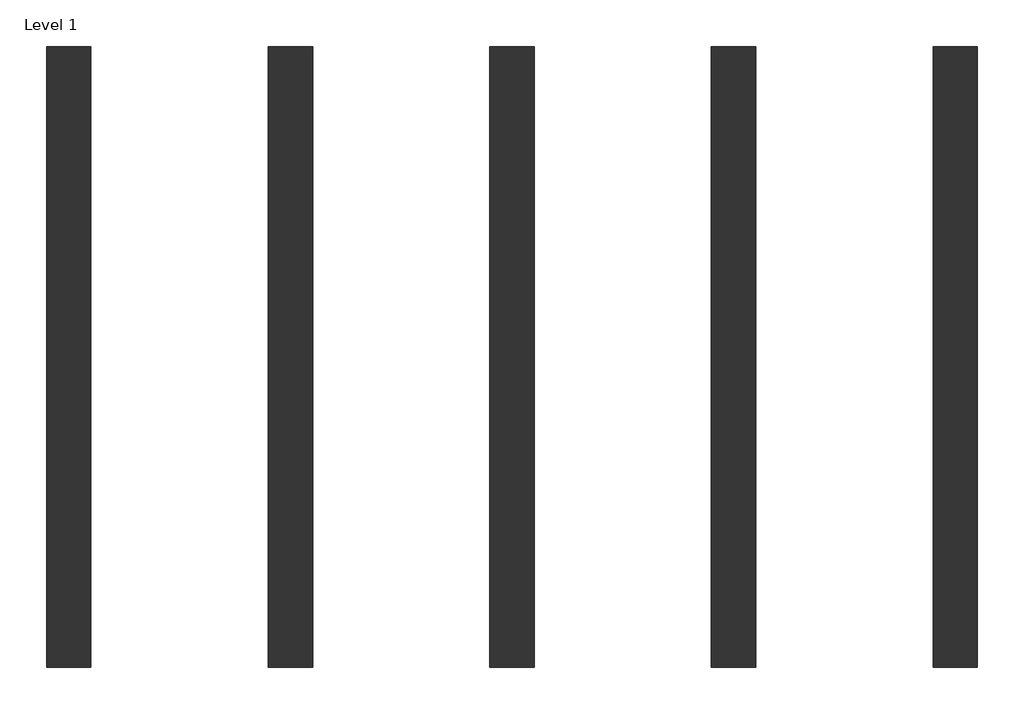
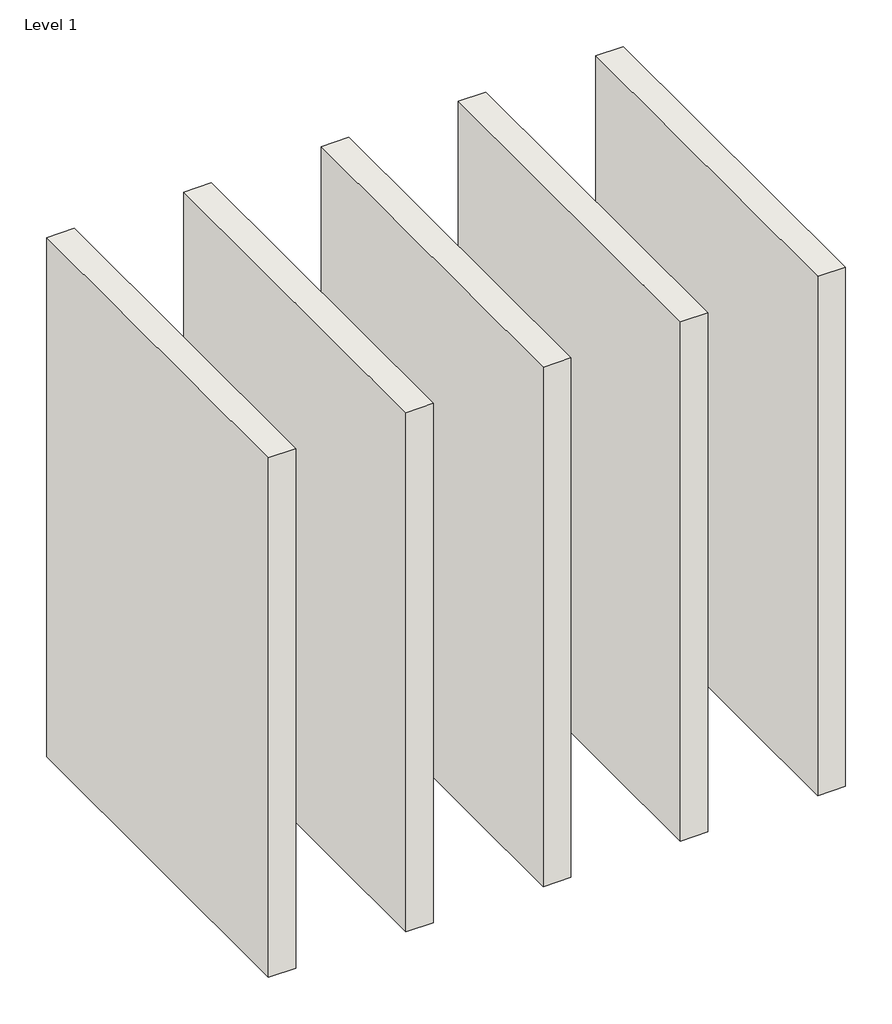
# One storey: 5 walls.
"""IFC4 building model written with IfcOpenShell, lengths in millimetres."""

from ifc_helpers import new_model, si_unit, origin, origin_with_axes, place, context, project, spatial, polyline, outline, extrude, element, save

model = new_model("IFC4")

# Units and contexts
model_context = context("Model", 3, world=origin())
ifc_project = project(units=[si_unit("LENGTHUNIT", "METRE", prefix="MILLI")], contexts=[model_context])

# Site, building, storey
site = spatial("IfcSite", under=ifc_project)
building = spatial("IfcBuilding", under=site)
storey = spatial("IfcBuildingStorey", under=building, Name="Level 1", Elevation=0.0)

# Walls
placement = place(None, origin())
element("IfcWall", 1, ObjectType="A1", at=placement, inside=storey, context=model_context, shape_type="SweptSolid", body=[
    extrude(outline(polyline([(2087.00204, 1067.8339602), (2087.00204, -1732.1660398), (1887.00204, -1732.1660398), (1887.00204, 1067.8339602), (2087.00204, 1067.8339602)])), origin_with_axes(), (0.0, 0.0, 1.0), 4000.0),
])
element("IfcWall", 2, ObjectType="B2", at=placement, inside=storey, context=model_context, shape_type="SweptSolid", body=[
    extrude(outline(polyline([(3087.00204, 1067.8339602), (3087.00204, -1732.1660398), (2887.00204, -1732.1660398), (2887.00204, 1067.8339602), (3087.00204, 1067.8339602)])), origin_with_axes(), (0.0, 0.0, 1.0), 4000.0),
])
element("IfcWall", 3, ObjectType="C3", at=placement, inside=storey, context=model_context, shape_type="SweptSolid", body=[
    extrude(outline(polyline([(4087.00204, 1067.8339602), (4087.00204, -1732.1660398), (3887.00204, -1732.1660398), (3887.00204, 1067.8339602), (4087.00204, 1067.8339602)])), origin_with_axes(), (0.0, 0.0, 1.0), 4000.0),
])
element("IfcWall", 4, ObjectType="D4", at=placement, inside=storey, context=model_context, shape_type="SweptSolid", body=[
    extrude(outline(polyline([(5087.00204, 1067.8339602), (5087.00204, -1732.1660398), (4887.00204, -1732.1660398), (4887.00204, 1067.8339602), (5087.00204, 1067.8339602)])), origin_with_axes(), (0.0, 0.0, 1.0), 4000.0),
])
element("IfcWall", 5, ObjectType="E5", at=placement, inside=storey, context=model_context, shape_type="SweptSolid", body=[
    extrude(outline(polyline([(6087.00204, 1067.8339602), (6087.00204, -1732.1660398), (5887.00204, -1732.1660398), (5887.00204, 1067.8339602), (6087.00204, 1067.8339602)])), origin_with_axes(), (0.0, 0.0, 1.0), 4000.0),
])

save(model, "model.ifc")
